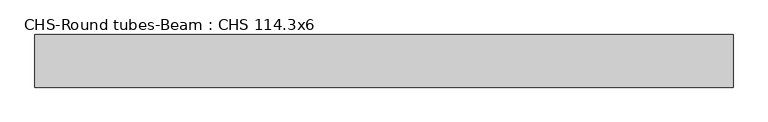
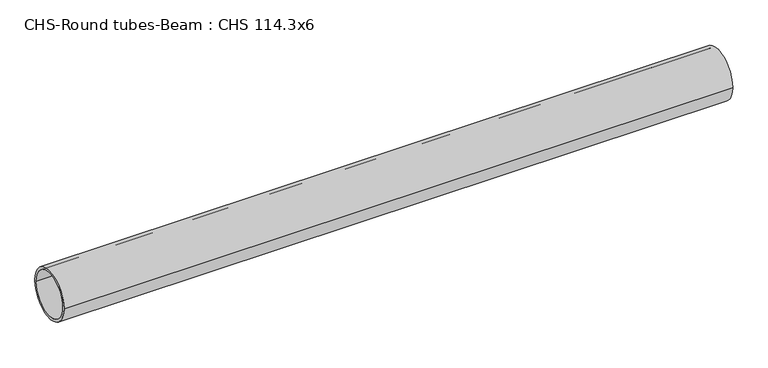
"""IFC4 building model written with IfcOpenShell, lengths in millimetres: beam geometry, CHS-Round tubes-Beam : CHS 114.3x6."""

from ifc_helpers import new_model, si_unit, point, frame, origin, origin_2d, place, context, project, spatial, circle_curve, trimmed, segment, composite_curve, outline, extrude, source, transform, mapped, element, save


def chs_round_tubes_beam_chs_114_3x6_4aa236a4(model_context):
    return source(origin(), model_context, "Body", "SweptSolid", [
        extrude(outline(composite_curve([segment(trimmed(circle_curve(origin_2d(), 57.15), [point((57.15, 0.0))], [point((-57.15, 0.0))], False, "CARTESIAN"), True, "CONTINUOUS"), segment(trimmed(circle_curve(origin_2d(), 57.15), [point((-57.15, 0.0))], [point((57.15, 0.0))], False, "CARTESIAN"), True, "CONTINUOUS")], self_intersect=False), holes=[composite_curve([segment(trimmed(circle_curve(origin_2d(), 51.15), [point((51.15, 0.0))], [point((-51.15, 0.0))], True, "CARTESIAN"), True, "CONTINUOUS"), segment(trimmed(circle_curve(origin_2d(), 51.15), [point((-51.15, 0.0))], [point((51.15, 0.0))], True, "CARTESIAN"), True, "CONTINUOUS")], self_intersect=False)]), frame((-735.5348221, 0.0, 0.0), z_axis=(1.0, 0.0, 0.0), x_axis=(0.0, 1.0, 0.0)), (0.0, 0.0, 1.0), 1516.3142776),
    ])


if __name__ == "__main__":
    model = new_model("IFC4")
    model_context = context("Model", 3, world=origin())
    ifc_project = project(units=[si_unit("LENGTHUNIT", "METRE", prefix="MILLI")], contexts=[model_context])
    site = spatial("IfcSite", under=ifc_project)
    building = spatial("IfcBuilding", under=site)
    placement = place(None, origin())
    chs_round_tubes_beam_chs_114_3x6_shape = chs_round_tubes_beam_chs_114_3x6_4aa236a4(model_context)
    element("IfcBeam", 1, ObjectType="CHS-Round tubes-Beam : CHS 114.3x6", at=placement, inside=building, context=model_context, shape_type="MappedRepresentation", body=[
        mapped(chs_round_tubes_beam_chs_114_3x6_shape, transform((0.0, 0.0, 0.0), x_axis=(1.0, 0.0, 0.0), y_axis=(0.0, 1.0, 0.0), z_axis=(0.0, 0.0, 1.0))),
    ])
    save(model, "model.ifc")
